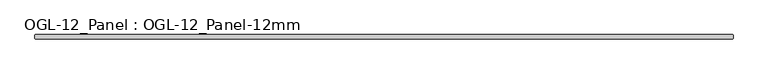
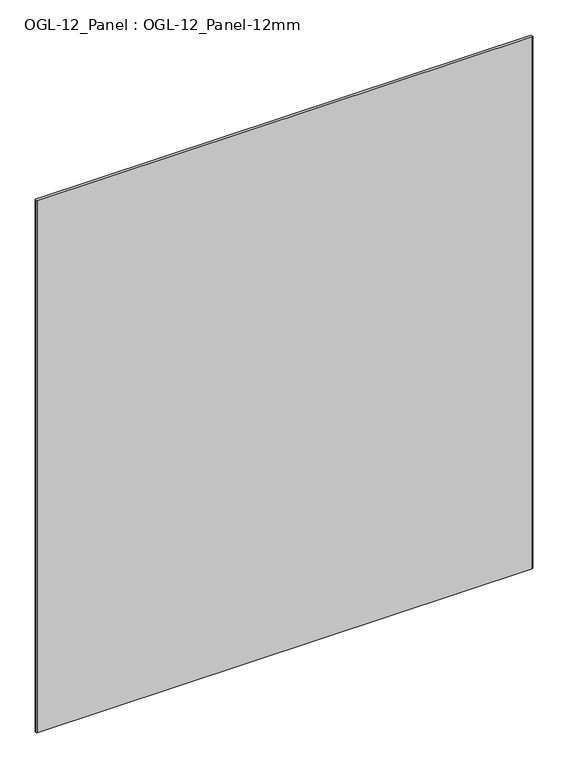
"""IFC4 building model written with IfcOpenShell, lengths in millimetres: plate geometry, OGL-12_Panel : OGL-12_Panel-12mm."""

from ifc_helpers import new_model, si_unit, origin, origin_with_axes, place, context, project, spatial, polyline, outline, extrude, source, transform, mapped, element, save


def ogl_12_panel_ogl_12_panel_12mm_fdb91ee7(model_context):
    return source(origin(), model_context, "Body", "SweptSolid", [
        extrude(outline(polyline([(1031.478125, 29.1703125), (1033.065625, 27.5828125), (1033.065625, 18.0578125), (1031.478125, 16.4703125), (-1031.478125, 16.4703125), (-1033.065625, 18.0578125), (-1033.065625, 27.5828125), (-1031.478125, 29.1703125), (1031.478125, 29.1703125)])), origin_with_axes(), (0.0, 0.0, 1.0), 2339.914687),
    ])


if __name__ == "__main__":
    model = new_model("IFC4")
    model_context = context("Model", 3, world=origin())
    ifc_project = project(units=[si_unit("LENGTHUNIT", "METRE", prefix="MILLI")], contexts=[model_context])
    site = spatial("IfcSite", under=ifc_project)
    building = spatial("IfcBuilding", under=site)
    placement = place(None, origin())
    ogl_12_panel_ogl_12_panel_12mm_shape = ogl_12_panel_ogl_12_panel_12mm_fdb91ee7(model_context)
    element("IfcPlate", 1, ObjectType="OGL-12_Panel : OGL-12_Panel-12mm", at=placement, inside=building, context=model_context, shape_type="MappedRepresentation", body=[
        mapped(ogl_12_panel_ogl_12_panel_12mm_shape, transform((0.0, 0.0, 0.0), x_axis=(1.0, 0.0, 0.0), y_axis=(0.0, 1.0, 0.0), z_axis=(0.0, 0.0, 1.0))),
    ])
    save(model, "model.ifc")
